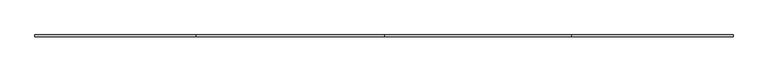
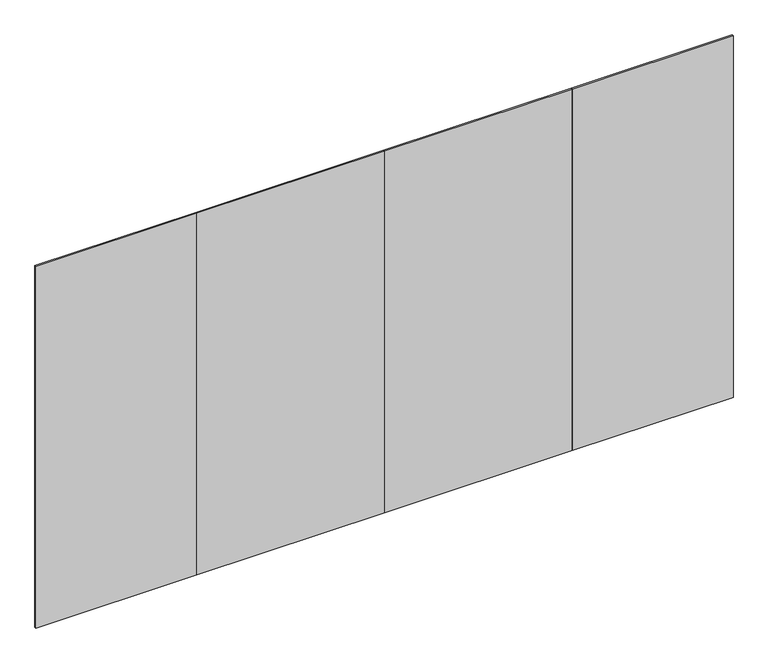
"""IFC4 building model written with IfcOpenShell, lengths in millimetres: furniture geometry."""

from ifc_helpers import new_model, si_unit, frame, origin, place, context, project, spatial, polyline, outline, extrude, source, transform, mapped, element, save


def furniture_547f7a6e(model_context):
    return source(origin(), model_context, "Body", "SweptSolid", [
        extrude(outline(polyline([(3962.4, -4.7752), (3048.0, -4.7752), (3048.0, 4.7498), (3962.4, 4.7498), (3962.4, -4.7752)])), frame((0.0, 0.0, 12.7), z_axis=(0.0, 0.0, 1.0), x_axis=(1.0, 0.0, 0.0)), (0.0, 0.0, 1.0), 2173.6010468),
        extrude(outline(polyline([(1981.2, -4.7752), (914.4, -4.7752), (914.4, 4.7498), (1981.2, 4.7498), (1981.2, -4.7752)])), frame((0.0, 0.0, 12.7), z_axis=(0.0, 0.0, 1.0), x_axis=(1.0, 0.0, 0.0)), (0.0, 0.0, 1.0), 2173.6010468),
        extrude(outline(polyline([(3048.0, -4.7752), (1981.2, -4.7752), (1981.2, 4.7498), (3048.0, 4.7498), (3048.0, -4.7752)])), frame((0.0, 0.0, 12.7), z_axis=(0.0, 0.0, 1.0), x_axis=(1.0, 0.0, 0.0)), (0.0, 0.0, 1.0), 2173.6010468),
        extrude(outline(polyline([(914.4, -4.7752), (0.0, -4.7752), (0.0, 4.7498), (914.4, 4.7498), (914.4, -4.7752)])), frame((0.0, 0.0, 12.7), z_axis=(0.0, 0.0, 1.0), x_axis=(1.0, 0.0, 0.0)), (0.0, 0.0, 1.0), 2173.6010468),
    ])


if __name__ == "__main__":
    model = new_model("IFC4")
    model_context = context("Model", 3, world=origin())
    ifc_project = project(units=[si_unit("LENGTHUNIT", "METRE", prefix="MILLI")], contexts=[model_context])
    site = spatial("IfcSite", under=ifc_project)
    building = spatial("IfcBuilding", under=site)
    placement = place(None, origin())
    furniture_shape = furniture_547f7a6e(model_context)
    element("IfcFurniture", 1, at=placement, inside=building, context=model_context, shape_type="MappedRepresentation", body=[
        mapped(furniture_shape, transform((0.0, 0.0, 0.0), x_axis=(1.0, 0.0, 0.0), y_axis=(0.0, 1.0, 0.0), z_axis=(0.0, 0.0, 1.0))),
    ])
    save(model, "model.ifc")
